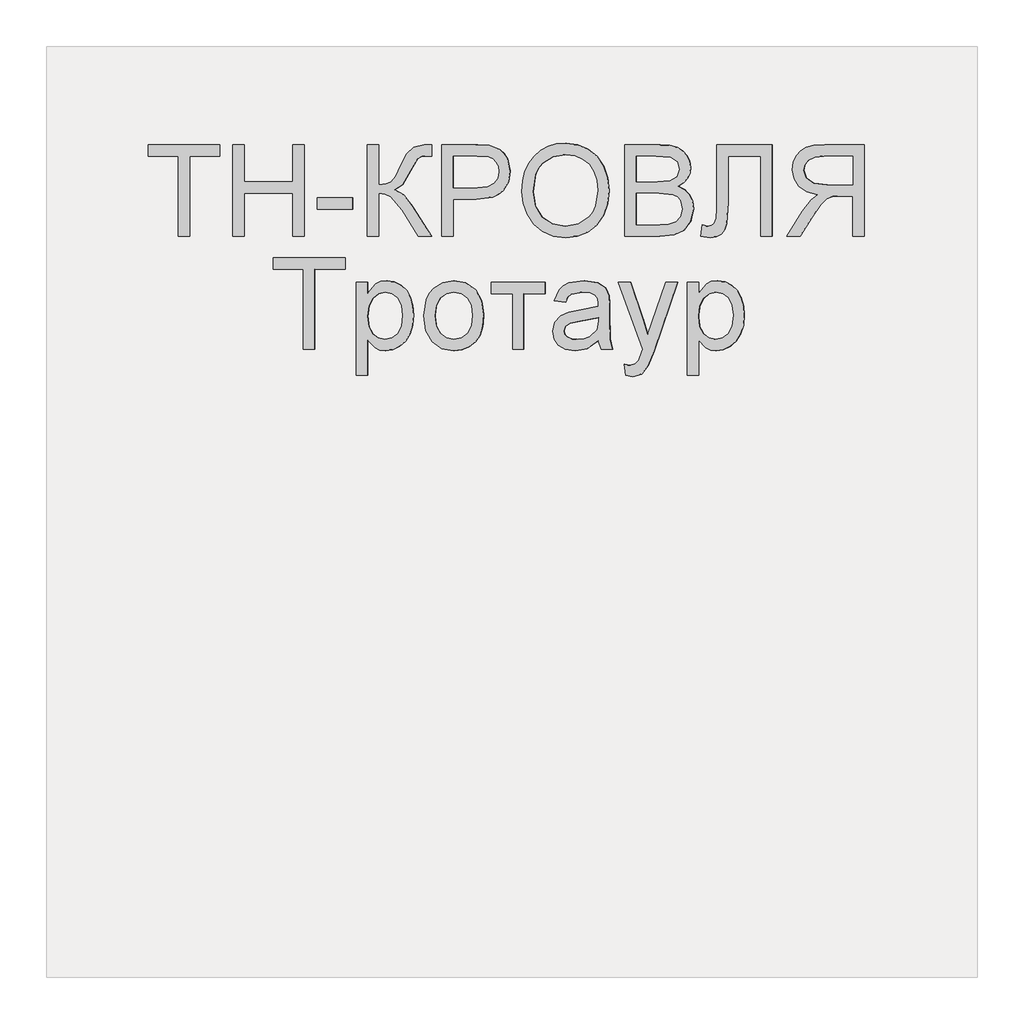
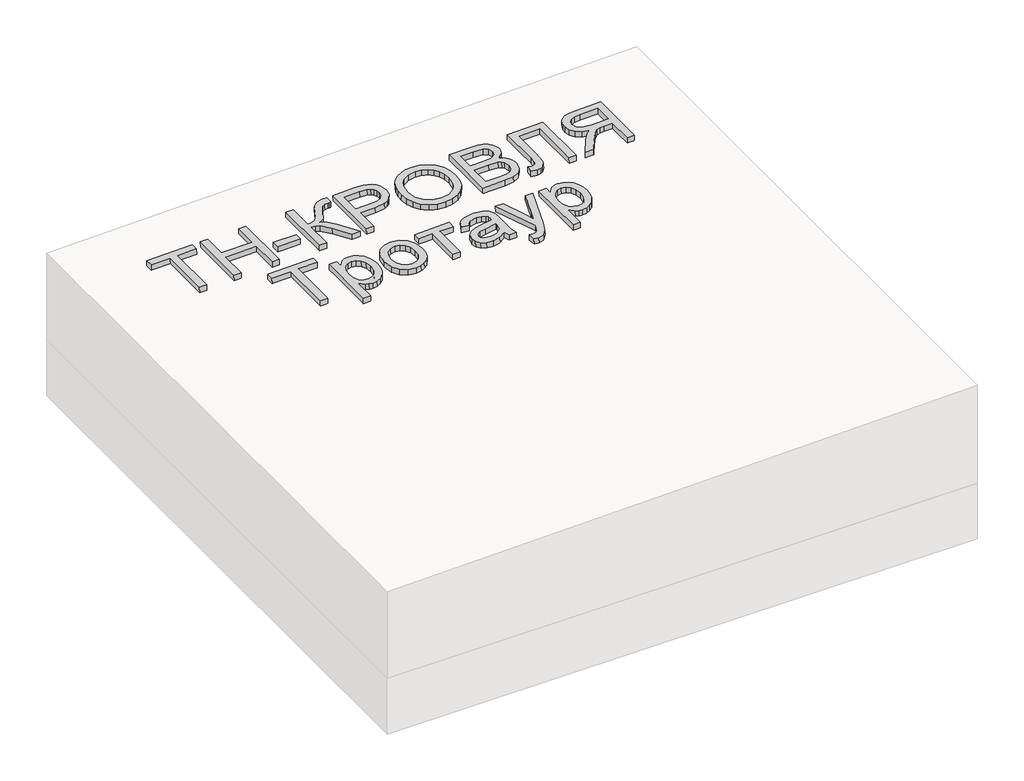
# One storey, part 3 of 3: 1 proxy.
"""IFC4 building model written with IfcOpenShell, lengths in millimetres."""

from ifc_helpers import new_model, si_unit, frame, origin, place, context, project, spatial, polyline, outline, extrude, element, save

model = new_model("IFC4")

# Units and contexts
model_context = context("Model", 3, world=origin())
ifc_project = project(units=[si_unit("LENGTHUNIT", "METRE", prefix="MILLI")], contexts=[model_context])

# Site, building, storey
site = spatial("IfcSite", under=ifc_project)
building = spatial("IfcBuilding", under=site)
storey = spatial("IfcBuildingStorey", under=building, Elevation=0.0)

# Proxy
placement = place(None, origin())
element("IfcBuildingElementProxy", 1, Name="Generic Models", at=placement, inside=storey, context=model_context, shape_type="SweptSolid", body=[
    extrude(outline(polyline([(24.6153846, 0.0), (24.6153846, -172.3076923), (89.2307692, -172.3076923), (89.2307692, -196.9230769), (-64.6153846, -196.9230769), (-64.6153846, -172.3076923), (0.0, -172.3076923), (0.0, 0.0), (24.6153846, 0.0)])), frame((25014.2995969, -4710.2316754, 317.15808), z_axis=(-0.01999600119956399, 0.0, 0.9998000599800078), x_axis=(-0.9998000599800078, 0.0, -0.01999600119956399)), (0.0, 0.0, 1.0), 20.0),
    extrude(outline(polyline([(24.6153846, 0.0), (24.6153846, -196.9230769), (0.0, -196.9230769), (0.0, -116.9230769), (-104.6153846, -116.9230769), (-104.6153846, -196.9230769), (-129.2307692, -196.9230769), (-129.2307692, 0.0), (-104.6153846, 0.0), (-104.6153846, -92.3076923), (0.0, -92.3076923), (0.0, 0.0), (24.6153846, 0.0)])), frame((25131.1992962, -4710.2316754, 319.496074), z_axis=(-0.01999600119956399, 0.0, 0.9998000599800078), x_axis=(-0.9998000599800078, 0.0, -0.01999600119956399)), (0.0, 0.0, 1.0), 20.0),
    extrude(outline(polyline([(76.923077, 0.0), (76.923077, -24.6153846), (0.0, -24.6153846), (0.0, 0.0), (76.923077, 0.0)])), frame((25364.9986949, -4651.7701369, 324.172062), z_axis=(-0.01999600119956399, 0.0, 0.9998000599800078), x_axis=(-0.9998000599800078, 0.0, -0.01999600119956399)), (0.0, 0.0, 1.0), 20.0),
    extrude(outline(polyline([(196.9230769, 0.0), (196.9230769, -24.6153846), (110.7692308, -24.6153846), (112.3978365, -41.2800481), (117.2836538, -52.1394231), (128.7800481, -60.9194711), (150.2403846, -71.3461538), (177.7644231, -84.9278847), (191.3942308, -100.3125), (196.9230769, -122.3076923), (196.6346154, -138.4615385), (172.0192308, -138.4615385), (172.1634615, -133.0288462), (172.3076923, -127.5961539), (170.8293269, -116.3221154), (166.3942308, -108.3653847), (141.0576923, -93.75), (110.1923077, -76.3221154), (100.0, -59.3269231), (88.8701923, -78.329327), (65.6730769, -97.0673077), (0.0, -138.4615385), (0.0, -109.9038462), (55.4807692, -74.9038462), (84.4471154, -50.2644231), (90.3425481, -38.8882212), (92.3076923, -24.6153846), (0.0, -24.6153846), (0.0, 0.0), (196.9230769, 0.0)])), frame((25395.7617736, -4710.2316754, 324.7873236), z_axis=(-0.019996001199563986, 0.0, 0.9998000599800078), x_axis=(0.0, 1.0, 0.0)), (0.0, 0.0, 1.0), 20.0),
    extrude(outline(polyline([(24.6153846, 0.0), (24.6153846, -196.9230769), (-48.3653847, -196.9230769), (-77.7884615, -195.0480769), (-101.7067308, -185.8413461), (-110.4026443, -177.6802885), (-117.2115385, -166.8028846), (-123.0769231, -139.9519231), (-119.1165866, -116.7427885), (-107.235577, -97.4038461), (-97.7208534, -89.7896635), (-85.0180289, -84.3509615), (-50.0480769, -80.0), (0.0, -80.0), (0.0, 0.0), (24.6153846, 0.0)]), holes=[polyline([(0.0, -104.6153846), (-51.4903847, -104.6153846), (-73.3173078, -106.875), (-87.7403846, -113.6538461), (-95.78125, -124.53125), (-98.4615385, -139.0865385), (-96.8810097, -150.1442308), (-92.1394232, -159.4711538), (-84.8257212, -166.4903846), (-75.5288462, -170.625), (-50.9134615, -172.3076923), (0.0, -172.3076923), (0.0, -104.6153846)])]), frame((25580.3402462, -4710.2316754, 328.478893), z_axis=(-0.01999600119956399, 0.0, 0.9998000599800078), x_axis=(-0.9998000599800078, 0.0, -0.01999600119956399)), (0.0, 0.0, 1.0), 20.0),
    extrude(outline(polyline([(25.3428445, 0.0), (48.1160484, -4.1938573), (67.8912361, -11.3545773), (84.6684074, -21.48216), (98.4475626, -34.5766053), (108.9049086, -49.9093782), (115.7166524, -66.7519434), (118.8827941, -85.1043011), (118.4033337, -104.9664512), (112.3116986, -130.2760814), (100.0658902, -152.2136344), (82.4868293, -169.6009171), (60.3954366, -181.2597367), (34.812491, -187.0380147), (6.7587717, -186.7836729), (-21.0136463, -180.6528553), (-44.9882084, -168.8870737), (-63.9421568, -152.1247694), (-76.6527338, -131.0043835), (-83.1347827, -107.1750808), (-83.4031474, -82.2860261), (-77.1659621, -56.5935493), (-64.600884, -34.5586152), (-46.7404789, -17.2511253), (-24.6173127, -5.740981), (0.0, 0.0), (25.3428445, 0.0)]), holes=[polyline([(22.3721769, -24.4366544), (-8.7890431, -25.9094148), (-33.7562618, -37.9787802), (-50.9832576, -58.3865327), (-58.9238091, -84.8744541), (-57.0179297, -112.8610054), (-44.5775814, -136.6179286), (-34.5460353, -146.3414541), (-22.1589798, -153.8699217), (9.6816594, -162.341683), (31.570013, -162.6815636), (50.9840871, -158.5364568), (67.4340475, -150.0149318), (80.43006, -137.2255581), (89.4380632, -121.0520254), (93.9239955, -102.3780231), (92.2935561, -75.5530127), (81.0850249, -51.6494365), (71.4163804, -41.5325654), (58.4080243, -33.6248113), (22.3721769, -24.4366544)])]), frame((25730.814962, -4639.5525889, 331.4883873), z_axis=(-0.01999600119956399, 0.0, 0.9998000599800078), x_axis=(-0.11095588221402988, 0.9938228553011785, -0.002219117644276566)), (0.0, 0.0, 1.0), 20.0),
    extrude(outline(polyline([(74.5673077, 0.0), (74.5673077, -196.9230769), (-0.5769231, -196.9230769), (-21.2439903, -195.4747596), (-37.3798076, -191.1298077), (-49.7475961, -183.7800481), (-59.1105769, -173.3173077), (-65.0060096, -161.0096154), (-66.9711538, -148.125), (-65.3185096, -136.2680288), (-60.3605769, -125.1201923), (-52.061298, -115.3665865), (-40.3846153, -107.6923077), (-54.3329326, -100.4086538), (-64.639423, -89.3269231), (-71.0036058, -75.1802885), (-73.1249999, -58.7019231), (-67.3317307, -32.2355769), (-52.9807692, -13.3894231), (-31.5625, -3.3894231), (0.0, 0.0), (74.5673077, 0.0)]), holes=[polyline([(49.9519231, -116.9230769), (5.0, -116.9230769), (-21.2499999, -119.0384615), (-37.0432692, -128.1490385), (-42.3557692, -144.1826923), (-37.4038461, -160.2403846), (-23.2211538, -169.7355769), (8.4134616, -172.3076923), (49.9519231, -172.3076923), (49.9519231, -116.9230769)]), polyline([(49.9519231, -24.6153846), (-0.5288461, -24.6153846), (-18.7980769, -25.5769231), (-34.2548076, -30.9375), (-44.4951923, -41.875), (-48.5096153, -58.4615385), (-43.7980769, -77.5961538), (-37.6262019, -84.5132211), (-28.5336538, -89.0144231), (1.875, -92.3076923), (49.9519231, -92.3076923), (49.9519231, -24.6153846)])]), frame((26024.0495902, -4710.2316754, 337.3530799), z_axis=(-0.019996001199563986, 0.0, 0.9998000599800078), x_axis=(-0.9998000599800078, 0.0, -0.019996001199563986)), (0.0, 0.0, 1.0), 20.0),
    extrude(outline(polyline([(137.6442308, 0.0), (137.6442308, -120.0), (-59.2788461, -120.0), (-59.2788461, -95.3846154), (113.0288462, -95.3846154), (113.0288462, -24.6153846), (12.548077, -24.6153846), (-32.2836538, -21.7548077), (-44.951923, -17.3257211), (-54.4471153, -9.7596153), (-60.3786057, 0.6009616), (-62.3557692, 13.4134616), (-59.2788461, 33.8461539), (-34.6634615, 30.7692308), (-37.7403846, 18.9903846), (-36.0877403, 10.6670674), (-31.1298076, 4.7355769), (-20.0420673, 1.1838942), (0.0, 0.0), (137.6442308, 0.0)])), frame((26146.3808956, -4650.9528293, 339.799706), z_axis=(-0.019996001199563986, 0.0, 0.9998000599800078), x_axis=(0.0, 1.0, 0.0)), (0.0, 0.0, 1.0), 20.0),
    extrude(outline(polyline([(24.6153846, -110.7692308), (0.0, -110.7692308), (0.0, -24.6153847), (-29.7115385, -24.6153847), (-43.9903846, -25.4807693), (-55.6971154, -30.1682693), (-68.7019231, -42.9326923), (-87.2115385, -69.9519231), (-112.8365384, -110.7692308), (-141.4423077, -110.7692308), (-108.6057692, -57.4038462), (-88.6538462, -32.0673077), (-74.6634615, -21.5384616), (-98.9122596, -15.0120193), (-115.8894231, -3.2211539), (-125.8954327, 12.8605769), (-129.2307692, 32.2596153), (-127.2175481, 47.8545673), (-121.1778846, 62.0432692), (-111.766827, 73.4855769), (-99.6394231, 80.8413461), (-83.046875, 84.8257211), (-60.2403847, 86.1538461), (24.6153846, 86.1538461), (24.6153846, -110.7692308)]), holes=[polyline([(0.0, 0.0), (0.0, 61.5384615), (-61.2980769, 61.5384615), (-80.7752404, 59.4110577), (-94.2067308, 53.0288461), (-102.0132211, 43.3533653), (-104.6153846, 31.3461538), (-99.1586539, 14.639423), (-83.1971154, 3.4855769), (-55.0961538, 0.0), (0.0, 0.0)])]), frame((26438.6301439, -4599.4624446, 345.644691), z_axis=(-0.01999600119956399, 0.0, 0.9998000599800078), x_axis=(0.9998000599800078, 0.0, 0.01999600119956399)), (0.0, 0.0, 1.0), 20.0),
    extrude(outline(polyline([(24.6153846, 0.0), (24.6153846, -172.3076923), (89.2307692, -172.3076923), (89.2307692, -196.9230769), (-64.6153846, -196.9230769), (-64.6153846, -172.3076923), (0.0, -172.3076923), (0.0, 0.0), (24.6153846, 0.0)])), frame((25283.4765361, -4953.3085985, 322.5416188), z_axis=(-0.01999600119956399, 0.0, 0.9998000599800078), x_axis=(-0.9998000599800078, 0.0, -0.01999600119956399)), (0.0, 0.0, 1.0), 20.0),
    extrude(outline(polyline([(24.6153847, 0.0), (24.6153847, -200.0), (0.0, -200.0), (0.0, -175.8653846), (-17.0192307, -196.2740385), (-27.5, -201.376202), (-40.0, -203.0769231), (-56.6466345, -200.6971154), (-71.201923, -193.5576923), (-83.0528846, -182.0913462), (-91.5865384, -166.7307693), (-96.7427885, -148.59375), (-98.4615384, -128.798077), (-96.5204327, -107.7463943), (-90.6971154, -88.9182693), (-81.1778846, -73.2692308), (-68.1490384, -61.7548077), (-52.9747596, -54.6694712), (-37.0192307, -52.3076923), (-25.703125, -53.8882212), (-15.6009615, -58.6298077), (0.0, -74.6153846), (0.0, 0.0), (24.6153847, 0.0)]), holes=[polyline([(0.0, -126.5384616), (-2.6622596, -104.4711539), (-10.6490385, -89.0384616), (-22.4338942, -79.9519231), (-36.4903846, -76.923077), (-50.7752403, -80.0600962), (-62.8605768, -89.4711539), (-71.0997596, -105.46875), (-73.8461538, -128.3653846), (-71.1658653, -150.3125), (-63.1249999, -165.9615385), (-51.3581731, -175.3365385), (-37.5, -178.4615385), (-23.5877403, -175.1382212), (-11.3701923, -165.1682693), (-2.842548, -148.8641827), (0.0, -126.5384616)])]), frame((25397.2999276, -5008.6932139, 324.8180866), z_axis=(-0.019996001199563986, 0.0, 0.9998000599800078), x_axis=(-0.9998000599800078, 0.0, -0.019996001199563986)), (0.0, 0.0, 1.0), 20.0),
    extrude(outline(polyline([(32.567166, -1e-07), (66.3756558, -10.0548095), (78.8838583, -18.5052064), (88.4613657, -29.2375981), (97.6493261, -50.4330578), (98.3741514, -74.388468), (90.0009116, -99.3354125), (72.6856707, -117.7907264), (47.8333955, -128.0195983), (16.8490523, -128.2872165), (-7.510343, -122.9013503), (-25.441205, -114.3768481), (-38.1401425, -102.7240243), (-46.8037641, -87.9531933), (-51.1686244, -71.2292642), (-50.9712784, -53.7171464), (-42.5730516, -28.4581812), (-25.3146823, -10.019263), (0.0, 0.0), (32.567166, -1e-07)]), holes=[polyline([(29.2398792, -24.389519), (6.7820621, -24.156784), (-10.1111098, -30.4456967), (-21.2858449, -41.8821548), (-26.588351, -57.092056), (-25.5887935, -73.1014407), (-17.8837038, -87.126841), (-3.1255027, -97.7967093), (19.0333893, -103.7394987), (40.8507691, -103.8653882), (57.5370536, -97.4932375), (68.7109647, -86.0627322), (73.9912241, -71.0135583), (73.0313183, -54.936859), (65.4188174, -40.9000066), (50.9046835, -30.2639203), (29.2398792, -24.389519)])]), frame((25521.7401862, -4913.2605216, 327.3068918), z_axis=(-0.01999600119956399, 0.0, 0.9998000599800079), x_axis=(-0.13707829158736495, 0.9905564223164067, -0.002741565831742323)), (0.0, 0.0, 1.0), 20.0),
    extrude(outline(polyline([(24.6153846, 0.0), (24.6153846, -116.9230769), (0.0, -116.9230769), (0.0, -70.7692307), (-120.0, -70.7692307), (-120.0, -46.1538461), (0.0, -46.1538461), (0.0, 0.0), (24.6153846, 0.0)])), frame((25661.862405, -4833.3085985, 330.1093362), z_axis=(-0.019996001199563986, 0.0, 0.9998000599800078), x_axis=(0.0, 1.0, 0.0)), (0.0, 0.0, 1.0), 20.0),
    extrude(outline(polyline([(19.4601703, 0.0), (11.1819963, 27.9207833), (14.9143961, 54.4732733), (24.1902839, 73.0649574), (37.3011934, 84.6897486), (52.8826325, 89.3590492), (69.5701086, 87.0842617), (86.5521477, 76.4571844), (96.0465823, 60.2429097), (98.2586564, 41.3376585), (95.0355657, 19.9618777), (89.5623928, -23.2153749), (94.7162973, -25.0853756), (105.6740455, -26.9515756), (114.1004512, -24.401229), (122.7587066, -15.3020791), (129.4557417, -0.8361792), (132.8384667, 24.2872046), (128.8153045, 32.9891694), (120.6530554, 40.8663574), (131.3561489, 63.2455532), (150.7935144, 45.5413593), (155.5977439, 34.3745663), (157.376525, 20.7448455), (151.8045309, -11.6304924), (138.2204199, -38.5478606), (122.4698447, -51.0601419), (104.2335367, -52.9377443), (83.4202766, -47.2669291), (54.3668506, -37.5824538), (13.4016719, -25.2450099), (-7.7840681, -23.3522042), (0.0, 0.0), (19.4601703, 0.0)]), holes=[polyline([(66.1645788, -15.5681361), (71.5617354, 24.4924486), (74.4731593, 45.8454244), (71.3488898, 56.9970142), (63.4279923, 63.1847402), (55.9042801, 63.7605636), (48.4755881, 60.4405521), (41.8184615, 53.1258846), (36.6094453, 41.7177399), (33.8253486, 28.7094523), (34.3213549, 16.2294779), (42.7667647, -3.5119526), (59.5967713, -13.2268344), (66.1645788, -15.5681361)])]), frame((25898.7381115, -4953.3085985, 334.8468503), z_axis=(-0.01999600119956399, 0.0, 0.9998000599800079), x_axis=(-0.3161645394308609, 0.948683298050553, -0.0063232907886057645)), (0.0, 0.0, 1.0), 20.0),
    extrude(outline(polyline([(15.3594295, 1e-07), (23.1221377, -22.6050652), (10.4421246, -22.9895589), (-0.4595865, -27.9912115), (-5.9609304, -36.8448733), (-8.9243154, -55.9508208), (-9.6141466, -62.1767584), (70.4977724, -192.8638108), (45.062503, -198.0646326), (1.8004234, -124.9608813), (-14.1007584, -95.4323725), (-17.8859515, -125.1586209), (-28.9823925, -213.204803), (-54.2292525, -218.3671002), (-34.5770381, -63.2080441), (-28.1988081, -29.1240004), (-17.6862555, -9.2595998), (0.0, 0.0), (15.3594295, 1e-07)])), frame((25966.0804136, -5011.7701369, 336.1936964), z_axis=(-0.019996001199563986, 0.0, 0.9998000599800078), x_axis=(-0.9795330097289279, 0.2003279533278627, -0.019590660194543117)), (0.0, 0.0, 1.0), 20.0),
    extrude(outline(polyline([(24.6153846, 0.0), (24.6153846, -200.0), (0.0, -200.0), (0.0, -175.8653846), (-17.0192308, -196.2740385), (-27.5000001, -201.376202), (-40.0, -203.0769231), (-56.6466346, -200.6971154), (-71.2019231, -193.5576923), (-83.0528846, -182.0913462), (-91.5865385, -166.7307693), (-96.7427885, -148.59375), (-98.4615385, -128.798077), (-96.5204327, -107.7463943), (-90.6971154, -88.9182693), (-81.1778846, -73.2692308), (-68.1490385, -61.7548077), (-52.9747597, -54.6694712), (-37.0192308, -52.3076923), (-25.703125, -53.8882212), (-15.6009616, -58.6298077), (0.0, -74.6153846), (0.0, 0.0), (24.6153846, 0.0)]), holes=[polyline([(0.0, -126.5384616), (-2.6622596, -104.4711539), (-10.6490385, -89.0384616), (-22.4338942, -79.9519231), (-36.4903846, -76.923077), (-50.7752404, -80.0600962), (-62.8605769, -89.4711539), (-71.0997596, -105.46875), (-73.8461539, -128.3653846), (-71.1658654, -150.3125), (-63.125, -165.9615385), (-51.3581731, -175.3365385), (-37.5000001, -178.4615385), (-23.5877404, -175.1382212), (-11.3701924, -165.1682693), (-2.8425481, -148.8641827), (0.0, -126.5384616)])]), frame((26107.9270471, -5008.6932139, 339.030629), z_axis=(-0.01999600119956399, 0.0, 0.9998000599800078), x_axis=(-0.9998000599800078, 0.0, -0.01999600119956399)), (0.0, 0.0, 1.0), 20.0),
])

save(model, "model.ifc")
